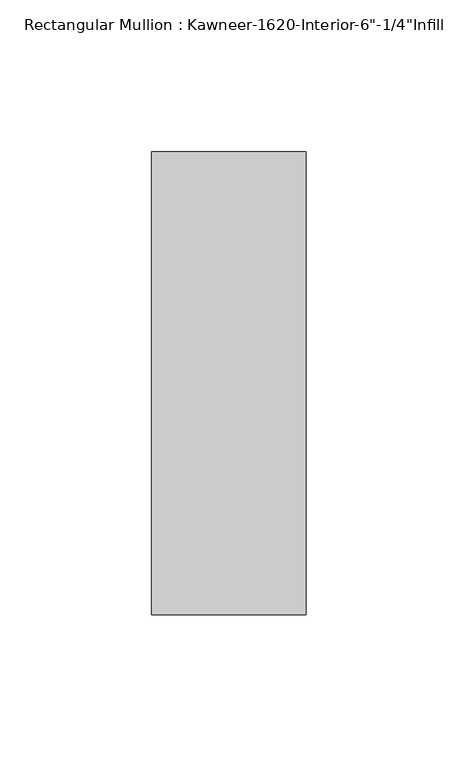
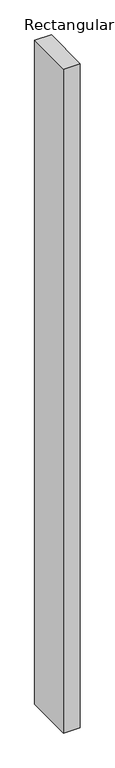
"""IFC4 building model written with IfcOpenShell, lengths in millimetres: member geometry."""

from ifc_helpers import new_model, si_unit, frame, origin, place, context, project, spatial, polyline, outline, extrude, source, transform, mapped, element, save


def member_d1407049(model_context):
    return source(origin(), model_context, "Body", "SweptSolid", [
        extrude(outline(polyline([(25.4, -123.825), (-25.4, -123.825), (-25.4, 28.575), (25.4, 28.575), (25.4, -123.825)])), frame((0.0, 0.0, -2139.95), z_axis=(0.0, 0.0, 1.0), x_axis=(1.0, 0.0, 0.0)), (0.0, 0.0, 1.0), 2139.95),
    ])


if __name__ == "__main__":
    model = new_model("IFC4")
    model_context = context("Model", 3, world=origin())
    ifc_project = project(units=[si_unit("LENGTHUNIT", "METRE", prefix="MILLI")], contexts=[model_context])
    site = spatial("IfcSite", under=ifc_project)
    building = spatial("IfcBuilding", under=site)
    placement = place(None, origin())
    member_shape = member_d1407049(model_context)
    element("IfcMember", 1, ObjectType="Rectangular Mullion : Kawneer-1620-Interior-6\"-1/4\"Infill", at=placement, inside=building, context=model_context, shape_type="MappedRepresentation", body=[
        mapped(member_shape, transform((0.0, 0.0, 0.0), x_axis=(1.0, 0.0, 0.0), y_axis=(0.0, 1.0, 0.0), z_axis=(0.0, 0.0, 1.0))),
    ])
    save(model, "model.ifc")
